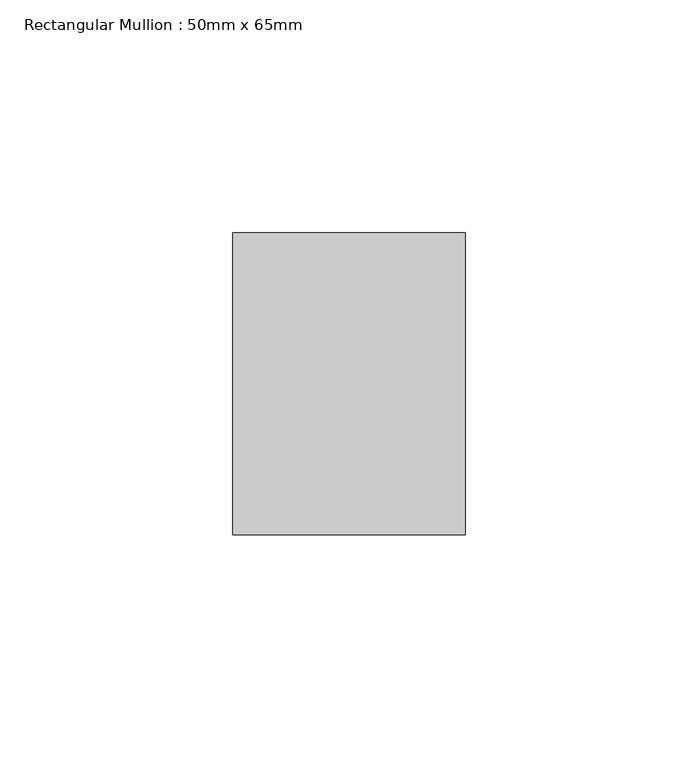
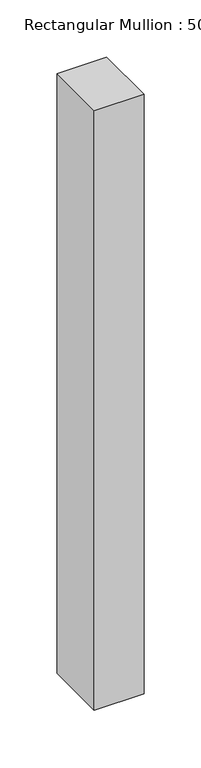
"""IFC4 building model written with IfcOpenShell, lengths in millimetres: member geometry, Rectangular Mullion : 50mm x 65mm."""

from ifc_helpers import new_model, si_unit, frame, origin, place, context, project, spatial, polyline, outline, extrude, source, transform, mapped, element, save


def rectangular_mullion_50mm_x_65mm_ea24d1e0(model_context):
    return source(origin(), model_context, "Body", "SweptSolid", [
        extrude(outline(polyline([(25.0, 32.5), (25.0, -32.5), (-25.0, -32.5), (-25.0, 32.5), (25.0, 32.5)])), frame((0.0, 0.0, -639.7125903), z_axis=(0.0, 0.0, 1.0), x_axis=(1.0, 0.0, 0.0)), (0.0, 0.0, 1.0), 639.7125903),
    ])


if __name__ == "__main__":
    model = new_model("IFC4")
    model_context = context("Model", 3, world=origin())
    ifc_project = project(units=[si_unit("LENGTHUNIT", "METRE", prefix="MILLI")], contexts=[model_context])
    site = spatial("IfcSite", under=ifc_project)
    building = spatial("IfcBuilding", under=site)
    placement = place(None, origin())
    rectangular_mullion_50mm_x_65mm_shape = rectangular_mullion_50mm_x_65mm_ea24d1e0(model_context)
    element("IfcMember", 1, ObjectType="Rectangular Mullion : 50mm x 65mm", at=placement, inside=building, context=model_context, shape_type="MappedRepresentation", body=[
        mapped(rectangular_mullion_50mm_x_65mm_shape, transform((0.0, 0.0, 0.0), x_axis=(1.0, 0.0, 0.0), y_axis=(0.0, 1.0, 0.0), z_axis=(0.0, 0.0, 1.0))),
    ])
    save(model, "model.ifc")
